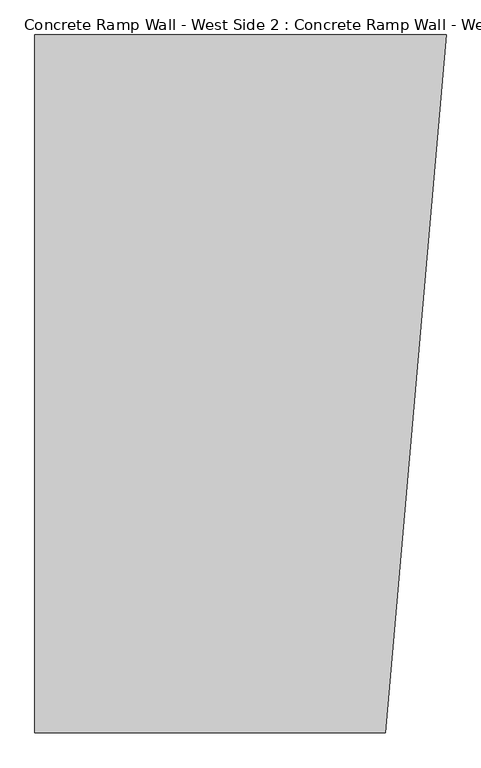
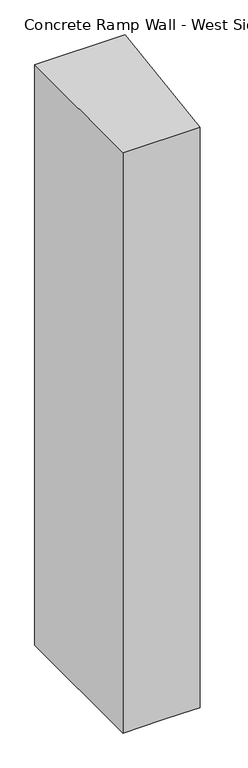
"""IFC4 building model written with IfcOpenShell, lengths in millimetres: beam geometry, Concrete Ramp Wall - West Side 2 : Concrete Ramp Wall - West Side 2."""

from ifc_helpers import new_model, si_unit, origin, place, context, project, spatial, faceted_brep, source, transform, mapped, element, save


def concrete_ramp_wall_west_side_2_concrete_ramp_wall_west_side_f8ec1580(model_context):
    return source(origin(), model_context, "Body", "Brep", [
        faceted_brep([(221596.1491692, 206063.2322067, 5800.0), (222500.7006691, 206063.2322067, 5800.0), (222658.1802635, 207863.2322067, 5800.0), (221596.1491692, 207863.2322067, 5800.0), (221596.1491692, 206063.2322067, -1425.0), (221596.1491692, 207863.2322067, -1425.0), (222409.916296, 207863.2322067, -1425.0), (222658.1802635, 207863.2322067, -1425.0), (222527.4162522, 206368.5927185, -1425.0), (222500.7006691, 206063.2322067, -1425.0), (222296.1491692, 206063.2322067, -1425.0), (222046.1491692, 206063.2322067, -1425.0), (221596.1491692, 206063.2322067, -625.0), (222500.7006691, 206063.2322067, 2090.0), (222658.1802635, 207863.2322067, -1223.200161), (222658.1802635, 207863.2322067, -625.0), (222658.1802635, 207863.2322067, 2090.0), (221596.1491692, 207863.2322067, -625.0)], [[[0, 1, 2, 3]], [[4, 5, 6, 7, 8, 9, 10, 11]], [[1, 0, 12, 4, 11, 10, 9, 13]], [[2, 1, 13, 9, 8, 7, 14, 15, 16]], [[3, 2, 16, 15, 14, 7, 6, 5, 17]], [[0, 3, 17, 5, 4, 12]]]),
    ])


if __name__ == "__main__":
    model = new_model("IFC4")
    model_context = context("Model", 3, world=origin())
    ifc_project = project(units=[si_unit("LENGTHUNIT", "METRE", prefix="MILLI")], contexts=[model_context])
    site = spatial("IfcSite", under=ifc_project)
    building = spatial("IfcBuilding", under=site)
    placement = place(None, origin())
    concrete_ramp_wall_west_side_2_concrete_ramp_wall_west_side_shape = concrete_ramp_wall_west_side_2_concrete_ramp_wall_west_side_f8ec1580(model_context)
    element("IfcBeam", 1, ObjectType="Concrete Ramp Wall - West Side 2 : Concrete Ramp Wall - West Side 2", at=placement, inside=building, context=model_context, shape_type="MappedRepresentation", body=[
        mapped(concrete_ramp_wall_west_side_2_concrete_ramp_wall_west_side_shape, transform((0.0, 0.0, 0.0), x_axis=(1.0, 0.0, 0.0), y_axis=(0.0, 1.0, 0.0), z_axis=(0.0, 0.0, 1.0))),
    ])
    save(model, "model.ifc")
